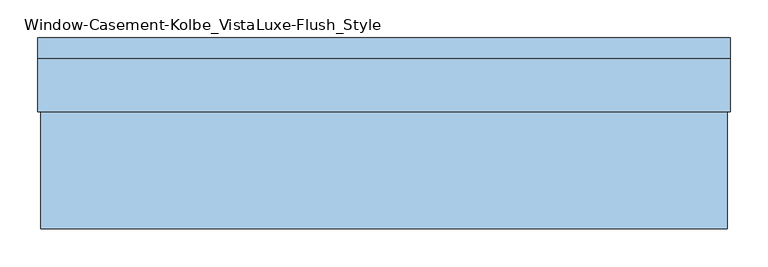
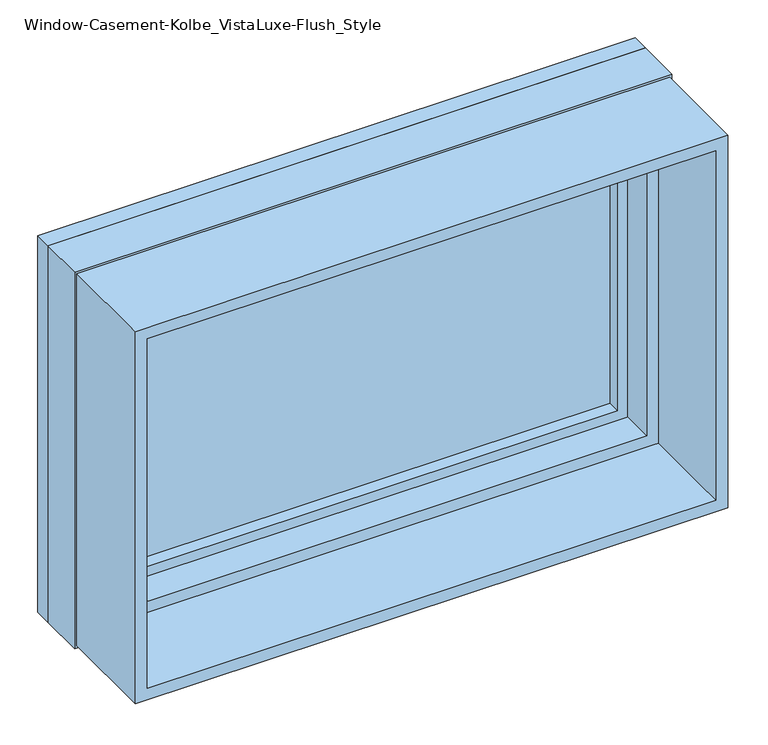
"""IFC4 building model written with IfcOpenShell, lengths in millimetres: window geometry, Window-Casement-Kolbe_VistaLuxe-Flush_Style."""

from ifc_helpers import new_model, si_unit, frame, origin, place, context, project, spatial, polyline, outline, extrude, faceted_brep, source, transform, mapped, element, save


def window_casement_kolbe_vistaluxe_flush_style_0c0dea74(model_context):
    return source(origin(), model_context, "Body", "SolidModel", [
        faceted_brep([(-406.4696599, 130.90398, 970.676875), (395.3765901, 130.90398, 970.676875), (395.3765901, 138.84148, 970.676875), (-406.4696599, 138.84148, 970.676875), (-422.3446599, 108.65358, 954.801875), (411.2515901, 108.65358, 954.801875), (411.2515901, 130.90398, 954.801875), (-422.3446599, 130.90398, 954.801875), (-406.4696599, 89.62898, 970.676875), (395.3765901, 89.62898, 970.676875), (395.3765901, 108.65358, 970.676875), (-406.4696599, 108.65358, 970.676875), (-450.9196599, 138.84148, 926.226875), (439.8265901, 138.84148, 926.226875), (439.8265901, 89.62898, 926.226875), (-450.9196599, 89.62898, 926.226875), (395.3765901, 130.90398, 1467.723125), (395.3765901, 138.84148, 1467.723125), (411.2515901, 108.65358, 1483.598125), (411.2515901, 130.90398, 1483.598125), (395.3765901, 89.62898, 1467.723125), (395.3765901, 108.65358, 1467.723125), (439.8265901, 138.84148, 1512.173125), (439.8265901, 89.62898, 1512.173125), (-406.4696599, 130.90398, 1467.723125), (-406.4696599, 138.84148, 1467.723125), (-422.3446599, 108.65358, 1483.598125), (-422.3446599, 130.90398, 1483.598125), (-406.4696599, 89.62898, 1467.723125), (-406.4696599, 108.65358, 1467.723125), (-450.9196599, 138.84148, 1512.173125), (-450.9196599, 89.62898, 1512.173125)], [[[0, 1, 2, 3]], [[4, 5, 6, 7]], [[8, 9, 10, 11]], [[12, 13, 14, 15]], [[1, 16, 17, 2]], [[5, 18, 19, 6]], [[9, 20, 21, 10]], [[13, 22, 23, 14]], [[16, 24, 25, 17]], [[18, 26, 27, 19]], [[20, 28, 29, 21]], [[22, 30, 31, 23]], [[24, 0, 3, 25]], [[7, 6, 19, 27], [1, 0, 24, 16]], [[26, 4, 7, 27]], [[5, 4, 26, 18], [11, 10, 21, 29]], [[28, 8, 11, 29]], [[15, 14, 23, 31], [9, 8, 28, 20]], [[30, 12, 15, 31]], [[13, 12, 30, 22], [3, 2, 17, 25]]]),
        extrude(outline(polyline([(1520.4186, -459.1651349), (917.9814, -459.1651349), (917.9814, 448.0720651), (1520.4186, 448.0720651), (1520.4186, -459.1651349)]), holes=[polyline([(936.545625, -440.6009099), (1501.854375, -440.6009099), (1501.854375, 429.5078401), (936.545625, 429.5078401), (936.545625, -440.6009099)])]), frame((0.0, -112.7125, 0.0), z_axis=(0.0, 1.0, 0.0), x_axis=(0.0, 0.0, 1.0)), (0.0, 0.0, 1.0), 154.7622),
        extrude(outline(polyline([(1524.0, 451.6534651), (1524.0, -462.7465349), (914.4, -462.7465349), (914.4, 451.6534651), (1524.0, 451.6534651)]), holes=[polyline([(1512.173125, -450.9196599), (1512.173125, 439.8265901), (926.226875, 439.8265901), (926.226875, -450.9196599), (1512.173125, -450.9196599)])]), frame((0.0, 112.7125, 0.0), z_axis=(0.0, 1.0, 0.0), x_axis=(0.0, 0.0, 1.0)), (0.0, 0.0, 1.0), 26.924),
        faceted_brep([(451.6534651, 42.0497, 914.4), (-462.7465349, 42.0497, 914.4), (-462.7465349, 112.7125, 914.4), (451.6534651, 112.7125, 914.4), (429.5078401, 89.63025, 936.545625), (-440.6009099, 89.63025, 936.545625), (-440.6009099, 42.0497, 936.545625), (429.5078401, 42.0497, 936.545625), (439.8265901, 112.7125, 926.226875), (-450.9196599, 112.7125, 926.226875), (-450.9196599, 89.63025, 926.226875), (439.8265901, 89.63025, 926.226875), (-462.7465349, 42.0497, 1524.0), (-462.7465349, 112.7125, 1524.0), (-440.6009099, 89.63025, 1501.854375), (-440.6009099, 42.0497, 1501.854375), (-450.9196599, 112.7125, 1512.173125), (-450.9196599, 89.63025, 1512.173125), (451.6534651, 42.0497, 1524.0), (451.6534651, 112.7125, 1524.0), (429.5078401, 89.63025, 1501.854375), (429.5078401, 42.0497, 1501.854375), (439.8265901, 112.7125, 1512.173125), (439.8265901, 89.63025, 1512.173125)], [[[0, 1, 2, 3]], [[4, 5, 6, 7]], [[8, 9, 10, 11]], [[1, 12, 13, 2]], [[5, 14, 15, 6]], [[9, 16, 17, 10]], [[12, 18, 19, 13]], [[14, 20, 21, 15]], [[16, 22, 23, 17]], [[18, 0, 3, 19]], [[1, 0, 18, 12], [7, 6, 15, 21]], [[20, 4, 7, 21]], [[11, 10, 17, 23], [5, 4, 20, 14]], [[22, 8, 11, 23]], [[3, 2, 13, 19], [9, 8, 22, 16]]]),
        extrude(outline(polyline([(408.0765901, 111.82858), (408.0765901, 108.65358), (-419.1696599, 108.65358), (-419.1696599, 111.82858), (408.0765901, 111.82858)])), frame((0.0, 0.0, 957.976875), z_axis=(0.0, 0.0, 1.0), x_axis=(1.0, 0.0, 0.0)), (0.0, 0.0, 1.0), 522.44625),
        extrude(outline(polyline([(408.0765901, 127.72898), (-419.1696599, 127.72898), (-419.1696599, 130.90398), (408.0765901, 130.90398), (408.0765901, 127.72898)])), frame((0.0, 0.0, 957.976875), z_axis=(0.0, 0.0, 1.0), x_axis=(1.0, 0.0, 0.0)), (0.0, 0.0, 1.0), 522.44625),
        extrude(outline(polyline([(936.545625, -440.6009099), (936.545625, 429.5078401), (1501.854375, 429.5078401), (1501.854375, -440.6009099), (936.545625, -440.6009099)]), holes=[polyline([(954.801875, 411.2515901), (954.801875, -422.3446599), (1483.598125, -422.3446599), (1483.598125, 411.2515901), (954.801875, 411.2515901)])]), frame((0.0, 38.83025, 0.0), z_axis=(0.0, 1.0, 0.0), x_axis=(0.0, 0.0, 1.0)), (0.0, 0.0, 1.0), 50.8),
    ])


if __name__ == "__main__":
    model = new_model("IFC4")
    model_context = context("Model", 3, world=origin())
    ifc_project = project(units=[si_unit("LENGTHUNIT", "METRE", prefix="MILLI")], contexts=[model_context])
    site = spatial("IfcSite", under=ifc_project)
    building = spatial("IfcBuilding", under=site)
    placement = place(None, origin())
    window_casement_kolbe_vistaluxe_flush_style_shape = window_casement_kolbe_vistaluxe_flush_style_0c0dea74(model_context)
    element("IfcWindow", 1, ObjectType="Window-Casement-Kolbe_VistaLuxe-Flush_Style", at=placement, inside=building, context=model_context, shape_type="MappedRepresentation", body=[
        mapped(window_casement_kolbe_vistaluxe_flush_style_shape, transform((0.0, 0.0, 0.0), x_axis=(1.0, 0.0, 0.0), y_axis=(0.0, 1.0, 0.0), z_axis=(0.0, 0.0, 1.0))),
    ])
    save(model, "model.ifc")
